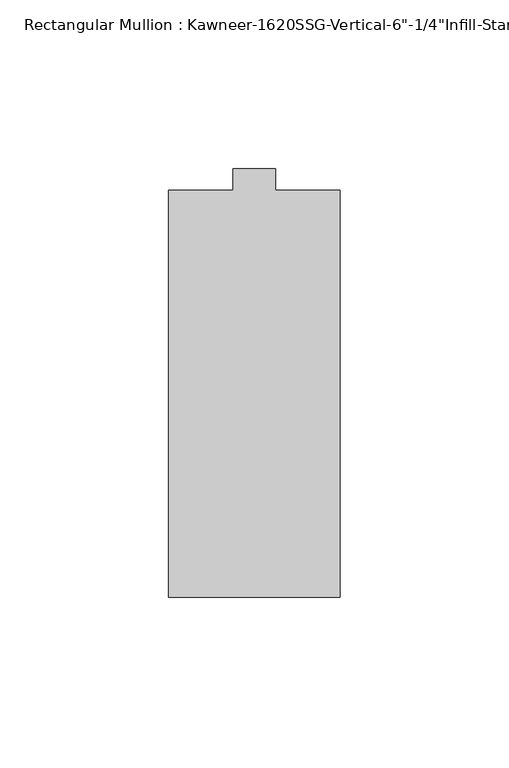
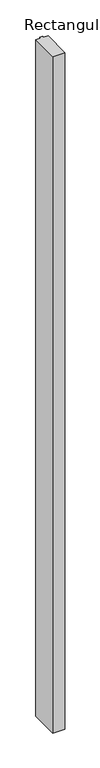
"""IFC4 building model written with IfcOpenShell, lengths in millimetres: member geometry."""

from ifc_helpers import new_model, si_unit, frame, origin, place, context, project, spatial, polyline, outline, extrude, source, transform, mapped, element, save


def member_a473b5b2(model_context):
    return source(origin(), model_context, "Body", "SweptSolid", [
        extrude(outline(polyline([(25.4, -123.825), (-25.4, -123.825), (-25.4, -3.175), (-6.35, -3.175), (-6.35, 3.175), (6.35, 3.175), (6.35, -3.175), (25.4, -3.175), (25.4, -123.825)])), frame((0.0, 0.0, -2959.1), z_axis=(0.0, 0.0, 1.0), x_axis=(1.0, 0.0, 0.0)), (0.0, 0.0, 1.0), 2959.1),
    ])


if __name__ == "__main__":
    model = new_model("IFC4")
    model_context = context("Model", 3, world=origin())
    ifc_project = project(units=[si_unit("LENGTHUNIT", "METRE", prefix="MILLI")], contexts=[model_context])
    site = spatial("IfcSite", under=ifc_project)
    building = spatial("IfcBuilding", under=site)
    placement = place(None, origin())
    member_shape = member_a473b5b2(model_context)
    element("IfcMember", 1, ObjectType="Rectangular Mullion : Kawneer-1620SSG-Vertical-6\"-1/4\"Infill-Standard", at=placement, inside=building, context=model_context, shape_type="MappedRepresentation", body=[
        mapped(member_shape, transform((0.0, 0.0, 0.0), x_axis=(1.0, 0.0, 0.0), y_axis=(0.0, 1.0, 0.0), z_axis=(0.0, 0.0, 1.0))),
    ])
    save(model, "model.ifc")
